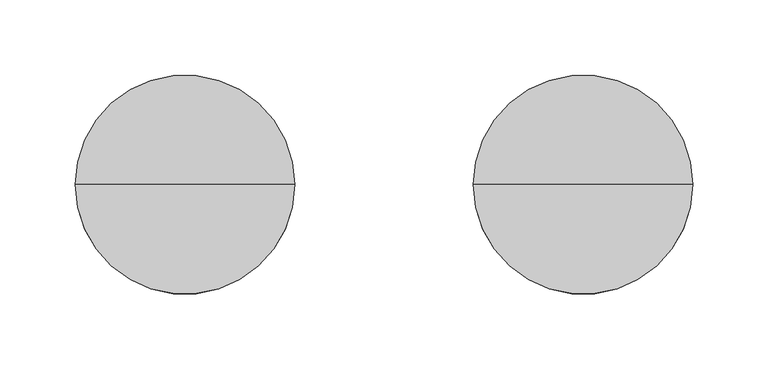
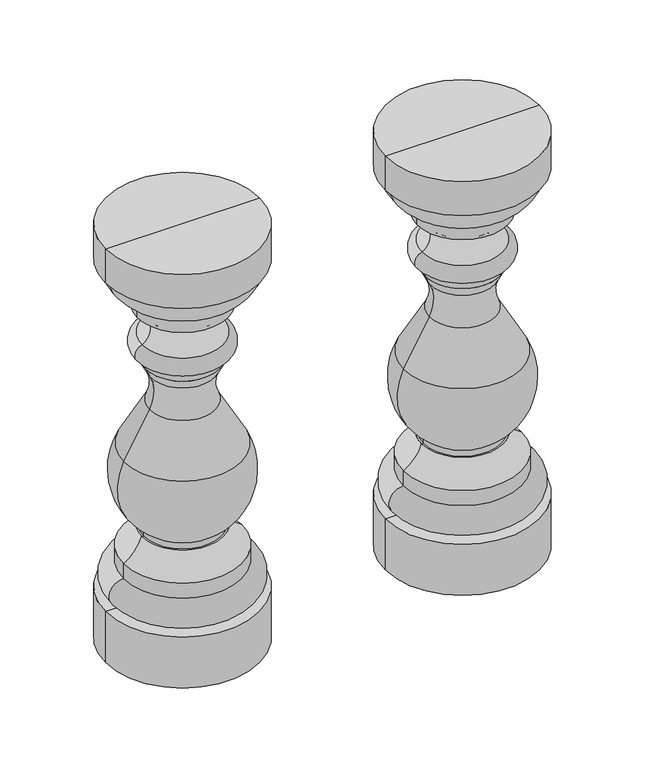
"""IFC4 building model written with IfcOpenShell, lengths in millimetres: railing geometry."""

import ifcopenshell
import ifcopenshell.guid

model = None  # the IFC model being written
_history = None  # IfcOwnerHistory: only IFC2X3 demands one
_inside = {}  # id of a spatial element -> (the spatial element, [elements in it])
_under = {}  # id of a project, library or spatial element -> (it, [spatial elements below it])
_declared = {}  # id of a project -> (the project, [libraries it declares])
_typed = {}  # id of a type object -> (the type object, [elements of that type])
_made_of = {}  # id of a material, layer set ... -> (it, [elements and type objects made of it])


def new_model(schema):
    """Start an empty IFC model of exactly this schema.

    Asked for "IFC4X3", IfcOpenShell would pick the latest addendum, in which some entities
    have other attributes; the version numbers below select the first issue.
    IFC2X3 requires an IfcOwnerHistory on every rooted entity: one is made here for all.
    """
    global model, _history
    if schema == "IFC4X3":
        model = ifcopenshell.file(schema_version=(4, 3, 0, 0))
    else:
        model = ifcopenshell.file(schema=schema)
    _inside.clear()
    _under.clear()
    _declared.clear()
    _typed.clear()
    _made_of.clear()
    _history = None
    if model.schema == "IFC2X3":
        org = make("IfcOrganization", Name="unknown")
        user = make(
            "IfcPersonAndOrganization",
            ThePerson=make("IfcPerson", FamilyName="unknown"),
            TheOrganization=org,
        )
        app = make(
            "IfcApplication",
            ApplicationDeveloper=org,
            Version="unknown",
            ApplicationFullName="unknown",
            ApplicationIdentifier="unknown",
        )
        _history = make(
            "IfcOwnerHistory",
            OwningUser=user,
            OwningApplication=app,
            ChangeAction="ADDED",
            CreationDate=0,
        )
    return model


def make(cls, **values):
    """One entity of the class cls with the attributes given. An attribute that is None is left unset."""
    return model.create_entity(
        cls, **{name: value for name, value in values.items() if value is not None}
    )


def rooted(cls, **values):
    """An entity with a GlobalId (a new one), such as an element, a storey or a relation."""
    return make(cls, GlobalId=ifcopenshell.guid.new(), OwnerHistory=_history, **values)


def si_unit(unit_type, name, prefix=None):
    """IfcSIUnit, for example si_unit("LENGTHUNIT", "METRE", prefix="MILLI")."""
    return make("IfcSIUnit", UnitType=unit_type, Prefix=prefix, Name=name)


def assignment(units):
    """IfcUnitAssignment: the units of a project."""
    return None if units is None else make("IfcUnitAssignment", Units=units)


def point(xyz):
    """IfcCartesianPoint."""
    return None if xyz is None else make("IfcCartesianPoint", Coordinates=xyz)


def direction(xyz):
    """IfcDirection."""
    return None if xyz is None else make("IfcDirection", DirectionRatios=xyz)


def frame(location, z_axis=None, x_axis=None):
    """IfcAxis2Placement3D, a coordinate frame: its origin and axes. An axis left out is left unset."""
    return make(
        "IfcAxis2Placement3D",
        Location=point(location),
        Axis=direction(z_axis),
        RefDirection=direction(x_axis),
    )


def origin():
    """The frame at (0, 0, 0) with its axes left unset."""
    return frame((0.0, 0.0, 0.0))


def place(relative_to, where):
    """IfcLocalPlacement: puts the frame where relative to a parent placement (None: the world)."""
    return make(
        "IfcLocalPlacement", PlacementRelTo=relative_to, RelativePlacement=where
    )


def context(
    kind, dimensions, precision=None, world=None, true_north=None, identifier=None
):
    """IfcGeometricRepresentationContext, for example the 3D "Model" context."""
    return make(
        "IfcGeometricRepresentationContext",
        ContextIdentifier=identifier,
        ContextType=kind,
        CoordinateSpaceDimension=dimensions,
        Precision=precision,
        WorldCoordinateSystem=world,
        TrueNorth=true_north,
    )


def project(units=None, contexts=None):
    """IfcProject with its units and contexts."""
    return rooted(
        "IfcProject",
        Name="project",
        RepresentationContexts=contexts,
        UnitsInContext=assignment(units),
    )


def spatial(cls, under=None, at=None, **own):
    """A site, building, storey or space (cls), placed at a placement, below another one or the project."""
    s = rooted(cls, ObjectPlacement=at, **own)
    if under is not None:
        _under.setdefault(under.id(), (under, []))[1].append(s)
    return s


def circle_curve(where, radius):
    """IfcCircle in the frame where."""
    return make("IfcCircle", Position=where, Radius=radius)


def ellipse_curve(where, semi_axis1, semi_axis2):
    """IfcEllipse in the frame where."""
    return make(
        "IfcEllipse", Position=where, SemiAxis1=semi_axis1, SemiAxis2=semi_axis2
    )


def trimmed(basis, trim1, trim2, sense, master):
    """IfcTrimmedCurve: the piece of a basis curve between two trims."""
    return make(
        "IfcTrimmedCurve",
        BasisCurve=basis,
        Trim1=trim1,
        Trim2=trim2,
        SenseAgreement=sense,
        MasterRepresentation=master,
    )


def shape(context_of_items, identifier, shape_type, items):
    """IfcShapeRepresentation: the items that make up one representation, for example the "Body"."""
    return make(
        "IfcShapeRepresentation",
        ContextOfItems=context_of_items,
        RepresentationIdentifier=identifier,
        RepresentationType=shape_type,
        Items=items,
    )


def source(mapping_origin, context_of_items, identifier, shape_type, items):
    """IfcRepresentationMap: a shape defined once, which mapped items show again and again."""
    return make(
        "IfcRepresentationMap",
        MappingOrigin=mapping_origin,
        MappedRepresentation=shape(context_of_items, identifier, shape_type, items),
    )


def transform(
    local_origin,
    x_axis=None,
    y_axis=None,
    z_axis=None,
    scale=None,
    scale2=None,
    scale3=None,
    uniform=True,
):
    """IfcCartesianTransformationOperator3D, or its non-uniform kind. x_axis, y_axis, z_axis: its Axis1, 2, 3."""
    if uniform:
        return make(
            "IfcCartesianTransformationOperator3D",
            Axis1=direction(x_axis),
            Axis2=direction(y_axis),
            LocalOrigin=point(local_origin),
            Scale=scale,
            Axis3=direction(z_axis),
        )
    return make(
        "IfcCartesianTransformationOperator3DnonUniform",
        Axis1=direction(x_axis),
        Axis2=direction(y_axis),
        LocalOrigin=point(local_origin),
        Scale=scale,
        Axis3=direction(z_axis),
        Scale2=scale2,
        Scale3=scale3,
    )


def mapped(mapping_source, mapping_target):
    """IfcMappedItem: shows the shape of a source again, moved by a transform."""
    return make(
        "IfcMappedItem", MappingSource=mapping_source, MappingTarget=mapping_target
    )


def made_of(thing, what):
    """Note that an element or type object is made of a material, layer set ...; save() writes the relation."""
    if what is not None:
        _made_of.setdefault(what.id(), (what, []))[1].append(thing)
    return thing


def element(
    cls,
    number,
    at=None,
    inside=None,
    cuts=None,
    type_object=None,
    material=None,
    context=None,
    identifier="Body",
    shape_type=None,
    held_by="IfcProductDefinitionShape",
    body=None,
    shapes=None,
    **own,
):
    """One element of the class cls, such as IfcWall. Its Tag is "e" and its number.

    at: its placement. inside: the storey or other place that contains it. cuts: it is an
    opening in that element (IfcRelVoidsElement). A single representation is given by context,
    identifier, shape_type and body (its items); several are given by shapes. held_by: the class
    of the entity that holds the representations. save() writes the other relations.
    """
    e = rooted(cls, Tag="e%d" % number, ObjectPlacement=at, **own)
    if body is not None:
        shapes = [shape(context, identifier, shape_type, body)]
    if shapes is not None:
        e.Representation = make(held_by, Representations=shapes)
    if inside is not None:
        _inside.setdefault(inside.id(), (inside, []))[1].append(e)
    if cuts is not None:
        rooted(
            "IfcRelVoidsElement", RelatingBuildingElement=cuts, RelatedOpeningElement=e
        )
    if type_object is not None:
        _typed.setdefault(type_object.id(), (type_object, []))[1].append(e)
    return made_of(e, material)


def aggregate(whole, parts):
    """IfcRelAggregates: a whole, such as a stair, and the parts it consists of."""
    return rooted("IfcRelAggregates", RelatingObject=whole, RelatedObjects=parts)


def save(model, path):
    """Write the relations noted so far, then the file.

    IfcRelAggregates (storeys below a building ...), IfcRelContainedInSpatialStructure (elements
    in a storey), IfcRelDefinesByType, IfcRelAssociatesMaterial and IfcRelDeclares: one each for
    every whole, place, type object, material and project.
    """
    for whole, parts in _under.values():
        aggregate(whole, parts)
    for where, things in _inside.values():
        rooted(
            "IfcRelContainedInSpatialStructure",
            RelatedElements=things,
            RelatingStructure=where,
        )
    for kind, things in _typed.values():
        rooted("IfcRelDefinesByType", RelatedObjects=things, RelatingType=kind)
    for what, things in _made_of.values():
        rooted("IfcRelAssociatesMaterial", RelatedObjects=things, RelatingMaterial=what)
    for by, libraries in _declared.values():
        rooted("IfcRelDeclares", RelatingContext=by, RelatedDefinitions=libraries)
    model.write(path)


def plane_surface(at):
    """IfcPlane: the flat surface through the origin of the frame at, square to its z axis."""
    return make("IfcPlane", Position=at)


def cylinder_surface(at, radius):
    """IfcCylindricalSurface: all points at the distance radius from the z axis of the frame at."""
    return make("IfcCylindricalSurface", Position=at, Radius=radius)


def revolved_surface(curve, axis_point, axis_direction):
    """IfcSurfaceOfRevolution: the curve turned about the line through axis_point along axis_direction."""
    return make(
        "IfcSurfaceOfRevolution",
        SweptCurve=make("IfcArbitraryOpenProfileDef", ProfileType="CURVE", Curve=curve),
        AxisPosition=make("IfcAxis1Placement", Location=point(axis_point), Axis=direction(axis_direction)),
    )


def advanced_brep(points, edges, surfaces, faces):
    """IfcAdvancedBrep: a solid bounded by faces that lie on surfaces and meet in shared edges.

    An edge is (start, end): straight between two places in points (the first is 0);
    or (start, end, curve); or (start, end, curve, False) where it runs against its curve.
    A face is (place in surfaces, loops), or (place, loops, False) where it looks against
    its surface's normal. A loop lists edges by number (the first is 1), with a minus sign
    where the edge is run from its end to its start. The first loop is the outer one.
    """
    corners = [point(p) for p in points]
    vertices = [make("IfcVertexPoint", VertexGeometry=c) for c in corners]
    made = []
    for start, end, *more in edges:
        made.append(
            make(
                "IfcEdgeCurve",
                EdgeStart=vertices[start],
                EdgeEnd=vertices[end],
                EdgeGeometry=more[0] if more else make("IfcPolyline", Points=[corners[start], corners[end]]),
                SameSense=more[1] if len(more) > 1 else True,
            )
        )
    hull = []
    for where, loops, *sense in faces:
        bounds = []
        for j, loop in enumerate(loops):
            ring = [make("IfcOrientedEdge", EdgeElement=made[abs(k) - 1], Orientation=k > 0) for k in loop]
            bounds.append(
                make(
                    "IfcFaceOuterBound" if j == 0 else "IfcFaceBound",
                    Bound=make("IfcEdgeLoop", EdgeList=ring),
                    Orientation=True,
                )
            )
        hull.append(make("IfcAdvancedFace", Bounds=bounds, FaceSurface=surfaces[where], SameSense=sense[0] if sense else True))
    return make("IfcAdvancedBrep", Outer=make("IfcClosedShell", CfsFaces=hull))


def railing_ee62908a(model_context):
    return source(origin(), model_context, "Body", "AdvancedBrep", [
        advanced_brep(
        [(1762.8785425, 3424.831309, 231.0), (1616.8785425, 3424.831309, 231.0), (1616.8785425, 3424.831309, 180.0), (1762.8785425, 3424.831309, 180.0), (1745.8785431, 3424.831309, 231.0), (1633.8785419, 3424.831309, 231.0), (1745.8785431, 3424.831309, 258.0), (1633.8785419, 3424.831309, 258.0), (1745.8785431, 3424.831309, 273.0), (1633.8785419, 3424.831309, 273.0), (1728.5347925, 3424.831309, 294.0), (1651.2222925, 3424.831309, 294.0), (1726.8785425, 3424.831309, 294.0), (1652.8785425, 3424.831309, 294.0), (1726.8785425, 3424.831309, 300.0), (1652.8785425, 3424.831309, 300.0), (1745.5049615, 3424.831309, 374.706486), (1634.2521236, 3424.831309, 374.706486), (1721.0972925, 3424.831309, 418.453125), (1658.6597925, 3424.831309, 418.453125), (1719.98863, 3424.831309, 450.2010664), (1659.7684551, 3424.831309, 450.2010664), (1725.0269971, 3424.831309, 460.53125), (1654.7300879, 3424.831309, 460.53125), (1725.0269971, 3424.831309, 469.0), (1654.7300879, 3424.831309, 469.0), (1729.0074488, 3424.831309, 469.0), (1650.7496363, 3424.831309, 469.0), (1728.128077, 3424.831309, 485.7794118), (1651.629008, 3424.831309, 485.7794118), (1732.8785425, 3424.831309, 514.97739), (1646.8785425, 3424.831309, 514.97739), (1732.8785425, 3424.831309, 528.3952726), (1646.8785425, 3424.831309, 528.3952726), (1759.2567406, 3424.831309, 560.0), (1620.5003444, 3424.831309, 560.0), (1762.8785425, 3424.831309, 560.0), (1616.8785425, 3424.831309, 560.0), (1762.8785425, 3424.831309, 594.0), (1616.8785425, 3424.831309, 594.0), (1689.8785425, 3424.831309, 594.0), (1689.8785425, 3424.831309, 180.0)],
        [
            (0, 1, circle_curve(frame((1689.8785425, 3424.831309, 231.0), z_axis=(0.0, 0.0, -1.0), x_axis=(-1.0, 0.0, 0.0)), 73.0)),
            (1, 2),
            (2, 3, circle_curve(frame((1689.8785425, 3424.831309, 180.0), z_axis=(0.0, 0.0, 1.0), x_axis=(-1.0, 0.0, 0.0)), 73.0)),
            (3, 0),
            (1, 0, circle_curve(frame((1689.8785425, 3424.831309, 231.0), z_axis=(0.0, 0.0, -1.0), x_axis=(-1.0, 0.0, 0.0)), 73.0)),
            (3, 2, circle_curve(frame((1689.8785425, 3424.831309, 180.0), z_axis=(0.0, 0.0, 1.0), x_axis=(-1.0, 0.0, 0.0)), 73.0)),
            (4, 5, circle_curve(frame((1689.8785425, 3424.831309, 231.0), z_axis=(0.0, 0.0, -1.0), x_axis=(-1.0, 0.0, 0.0)), 56.0000006)),
            (5, 1),
            (0, 4),
            (5, 4, circle_curve(frame((1689.8785425, 3424.831309, 231.0), z_axis=(0.0, 0.0, -1.0), x_axis=(-1.0, 0.0, 0.0)), 56.0000006)),
            (6, 7, circle_curve(frame((1689.8785425, 3424.831309, 258.0), z_axis=(0.0, 0.0, -1.0), x_axis=(-1.0, 0.0, 0.0)), 56.0000006)),
            (7, 5, circle_curve(frame((1633.8785419, 3424.831309, 244.5), z_axis=(0.0, -1.0, 0.0), x_axis=(-1.0, 0.0, 0.0)), 13.5)),
            (4, 6, circle_curve(frame((1745.8785431, 3424.831309, 244.5), z_axis=(0.0, -1.0, 0.0), x_axis=(1.0, 0.0, 0.0)), 13.5)),
            (7, 6, circle_curve(frame((1689.8785425, 3424.831309, 258.0), z_axis=(0.0, 0.0, -1.0), x_axis=(-1.0, 0.0, 0.0)), 56.0000006)),
            (8, 9, circle_curve(frame((1689.8785425, 3424.831309, 273.0), z_axis=(0.0, 0.0, -1.0), x_axis=(-1.0, 0.0, 0.0)), 56.0000006)),
            (9, 7),
            (6, 8),
            (9, 8, circle_curve(frame((1689.8785425, 3424.831309, 273.0), z_axis=(0.0, 0.0, -1.0), x_axis=(-1.0, 0.0, 0.0)), 56.0000006)),
            (10, 11, circle_curve(frame((1689.8785425, 3424.831309, 294.0), z_axis=(0.0, 0.0, -1.0), x_axis=(-1.0, 0.0, 0.0)), 38.65625)),
            (11, 9, circle_curve(frame((1615.930206, 3424.831309, 305.485443), z_axis=(0.0, 1.0, 0.0), x_axis=(-1.0, 0.0, 0.0)), 37.11397)),
            (8, 10, circle_curve(frame((1763.826879, 3424.831309, 305.485443), z_axis=(0.0, 1.0, 0.0), x_axis=(1.0, 0.0, 0.0)), 37.11397)),
            (11, 10, circle_curve(frame((1689.8785425, 3424.831309, 294.0), z_axis=(0.0, 0.0, -1.0), x_axis=(-1.0, 0.0, 0.0)), 38.65625)),
            (12, 13, circle_curve(frame((1689.8785425, 3424.831309, 294.0), z_axis=(0.0, 0.0, -1.0), x_axis=(-1.0, 0.0, 0.0)), 37.0)),
            (13, 11),
            (10, 12),
            (13, 12, circle_curve(frame((1689.8785425, 3424.831309, 294.0), z_axis=(0.0, 0.0, -1.0), x_axis=(-1.0, 0.0, 0.0)), 37.0)),
            (14, 15, circle_curve(frame((1689.8785425, 3424.831309, 300.0), z_axis=(0.0, 0.0, -1.0), x_axis=(-1.0, 0.0, 0.0)), 37.0)),
            (15, 13),
            (12, 14),
            (15, 14, circle_curve(frame((1689.8785425, 3424.831309, 300.0), z_axis=(0.0, 0.0, -1.0), x_axis=(-1.0, 0.0, 0.0)), 37.0)),
            (16, 17, circle_curve(frame((1689.8785425, 3424.831309, 374.706486), z_axis=(0.0, 0.0, -1.0), x_axis=(-1.0, 0.0, 0.0)), 55.6264189)),
            (17, 15, circle_curve(frame((1688.1480187, 3424.831309, 348.468955), z_axis=(0.0, -1.0, 0.0), x_axis=(-1.0, 0.0, 0.0)), 59.9431026)),
            (14, 16, circle_curve(frame((1691.6090663, 3424.831309, 348.468955), z_axis=(0.0, -1.0, 0.0), x_axis=(1.0, 0.0, 0.0)), 59.9431026)),
            (17, 16, circle_curve(frame((1689.8785425, 3424.831309, 374.706486), z_axis=(0.0, 0.0, -1.0), x_axis=(-1.0, 0.0, 0.0)), 55.6264189)),
            (18, 19, circle_curve(frame((1689.8785425, 3424.831309, 418.453125), z_axis=(0.0, 0.0, -1.0), x_axis=(-1.0, 0.0, 0.0)), 31.21875)),
            (19, 17, circle_curve(frame((2037.5812974, 3424.831309, 178.3582915), z_axis=(0.0, -1.0, 0.0), x_axis=(-1.0, 0.0, 0.0)), 448.5833656)),
            (16, 18, circle_curve(frame((1342.1757876, 3424.831309, 178.3582915), z_axis=(0.0, -1.0, 0.0), x_axis=(1.0, 0.0, 0.0)), 448.5833656)),
            (19, 18, circle_curve(frame((1689.8785425, 3424.831309, 418.453125), z_axis=(0.0, 0.0, -1.0), x_axis=(-1.0, 0.0, 0.0)), 31.21875)),
            (20, 21, circle_curve(frame((1689.8785425, 3424.831309, 450.2010664), z_axis=(0.0, 0.0, -1.0), x_axis=(-1.0, 0.0, 0.0)), 30.1100875)),
            (21, 19, circle_curve(frame((1625.3434516, 3424.831309, 435.5098857), z_axis=(0.0, 1.0, 0.0), x_axis=(-1.0, 0.0, 0.0)), 37.4287544)),
            (18, 20, circle_curve(frame((1754.4136335, 3424.831309, 435.5098857), z_axis=(0.0, 1.0, 0.0), x_axis=(1.0, 0.0, 0.0)), 37.4287544)),
            (21, 20, circle_curve(frame((1689.8785425, 3424.831309, 450.2010664), z_axis=(0.0, 0.0, -1.0), x_axis=(-1.0, 0.0, 0.0)), 30.1100875)),
            (22, 23, circle_curve(frame((1689.8785425, 3424.831309, 460.53125), z_axis=(0.0, 0.0, -1.0), x_axis=(-1.0, 0.0, 0.0)), 35.1484546)),
            (23, 21, circle_curve(frame((1554.9069564, 3424.831309, 405.450476), z_axis=(0.0, 1.0, 0.0), x_axis=(-1.0, 0.0, 0.0)), 114.0111803)),
            (20, 22, circle_curve(frame((1824.8501286, 3424.831309, 405.450476), z_axis=(0.0, 1.0, 0.0), x_axis=(1.0, 0.0, 0.0)), 114.0111803)),
            (23, 22, circle_curve(frame((1689.8785425, 3424.831309, 460.53125), z_axis=(0.0, 0.0, -1.0), x_axis=(-1.0, 0.0, 0.0)), 35.1484546)),
            (24, 25, circle_curve(frame((1689.8785425, 3424.831309, 469.0), z_axis=(0.0, 0.0, -1.0), x_axis=(-1.0, 0.0, 0.0)), 35.1484546)),
            (25, 23),
            (22, 24),
            (25, 24, circle_curve(frame((1689.8785425, 3424.831309, 469.0), z_axis=(0.0, 0.0, -1.0), x_axis=(-1.0, 0.0, 0.0)), 35.1484546)),
            (26, 27, circle_curve(frame((1689.8785425, 3424.831309, 469.0), z_axis=(0.0, 0.0, -1.0), x_axis=(-1.0, 0.0, 0.0)), 39.1289062)),
            (27, 25),
            (24, 26),
            (27, 26, circle_curve(frame((1689.8785425, 3424.831309, 469.0), z_axis=(0.0, 0.0, -1.0), x_axis=(-1.0, 0.0, 0.0)), 39.1289062)),
            (28, 29, circle_curve(frame((1689.8785425, 3424.831309, 485.7794118), z_axis=(0.0, 0.0, -1.0), x_axis=(-1.0, 0.0, 0.0)), 38.2495345)),
            (29, 27, circle_curve(frame((1653.4362434, 3424.831309, 477.2719498), z_axis=(0.0, -1.0, 0.0), x_axis=(-1.0, 0.0, 0.0)), 8.6972991)),
            (26, 28, circle_curve(frame((1726.3208416, 3424.831309, 477.2719498), z_axis=(0.0, -1.0, 0.0), x_axis=(1.0, 0.0, 0.0)), 8.6972991)),
            (29, 28, circle_curve(frame((1689.8785425, 3424.831309, 485.7794118), z_axis=(0.0, 0.0, -1.0), x_axis=(-1.0, 0.0, 0.0)), 38.2495345)),
            (30, 31, circle_curve(frame((1689.8785425, 3424.831309, 514.97739), z_axis=(0.0, 0.0, -1.0), x_axis=(-1.0, 0.0, 0.0)), 43.0)),
            (31, 29, circle_curve(frame((1644.0593969, 3424.831309, 499.5332837), z_axis=(0.0, 1.0, 0.0), x_axis=(-1.0, 0.0, 0.0)), 15.6992994)),
            (28, 30, circle_curve(frame((1735.6976881, 3424.831309, 499.5332837), z_axis=(0.0, 1.0, 0.0), x_axis=(1.0, 0.0, 0.0)), 15.6992994)),
            (31, 30, circle_curve(frame((1689.8785425, 3424.831309, 514.97739), z_axis=(0.0, 0.0, -1.0), x_axis=(-1.0, 0.0, 0.0)), 43.0)),
            (32, 33, circle_curve(frame((1689.8785425, 3424.831309, 528.3952726), z_axis=(0.0, 0.0, -1.0), x_axis=(-1.0, 0.0, 0.0)), 43.0)),
            (33, 31),
            (30, 32),
            (33, 32, circle_curve(frame((1689.8785425, 3424.831309, 528.3952726), z_axis=(0.0, 0.0, -1.0), x_axis=(-1.0, 0.0, 0.0)), 43.0)),
            (34, 35, circle_curve(frame((1689.8785425, 3424.831309, 560.0), z_axis=(0.0, 0.0, -1.0), x_axis=(-1.0, 0.0, 0.0)), 69.3781981)),
            (35, 33, circle_curve(frame((1657.437687, 3424.831309, 564.0185912), z_axis=(0.0, -1.0, 0.0), x_axis=(-1.0, 0.0, 0.0)), 37.1553005)),
            (32, 34, circle_curve(frame((1722.319398, 3424.831309, 564.0185912), z_axis=(0.0, -1.0, 0.0), x_axis=(1.0, 0.0, 0.0)), 37.1553005)),
            (35, 34, circle_curve(frame((1689.8785425, 3424.831309, 560.0), z_axis=(0.0, 0.0, -1.0), x_axis=(-1.0, 0.0, 0.0)), 69.3781981)),
            (36, 37, circle_curve(frame((1689.8785425, 3424.831309, 560.0), z_axis=(0.0, 0.0, -1.0), x_axis=(-1.0, 0.0, 0.0)), 73.0)),
            (37, 35),
            (34, 36),
            (37, 36, circle_curve(frame((1689.8785425, 3424.831309, 560.0), z_axis=(0.0, 0.0, -1.0), x_axis=(-1.0, 0.0, 0.0)), 73.0)),
            (38, 39, circle_curve(frame((1689.8785425, 3424.831309, 594.0), z_axis=(0.0, 0.0, -1.0), x_axis=(-1.0, 0.0, 0.0)), 73.0)),
            (39, 37),
            (36, 38),
            (39, 38, circle_curve(frame((1689.8785425, 3424.831309, 594.0), z_axis=(0.0, 0.0, -1.0), x_axis=(-1.0, 0.0, 0.0)), 73.0)),
            (40, 39),
            (38, 40),
            (2, 41),
            (41, 3),
        ],
        [
            cylinder_surface(frame((1689.8785425, 3424.831309, 634.0), z_axis=(0.0, 0.0, 1.0), x_axis=(-1.0, 0.0, 0.0)), 73.0),
            plane_surface(frame((1689.8785425, 3424.831309, 231.0), z_axis=(0.0, 0.0, 1.0), x_axis=(-1.0, 0.0, 0.0))),
            revolved_surface(trimmed(ellipse_curve(frame((1633.8785419, 3424.831309, 244.5), z_axis=(0.0, 1.0, 0.0), x_axis=(-1.0, 0.0, 0.0)), 13.5, 13.5), [point((1633.8785419, 3424.831309, 231.0))], [point((1633.8785419, 3424.831309, 258.0))], True, "CARTESIAN"), (1689.8785425, 3424.831309, 634.0), (0.0, 0.0, 1.0)),
            cylinder_surface(frame((1689.8785425, 3424.831309, 634.0), z_axis=(0.0, 0.0, 1.0), x_axis=(-1.0, 0.0, 0.0)), 56.0000006),
            revolved_surface(trimmed(ellipse_curve(frame((1615.930206, 3424.831309, 305.485443), z_axis=(0.0, -1.0, 0.0), x_axis=(-1.0, 0.0, 0.0)), 37.11397, 37.11397), [point((1633.8785419, 3424.831309, 273.0))], [point((1651.2222925, 3424.831309, 294.0))], True, "CARTESIAN"), (1689.8785425, 3424.831309, 634.0), (0.0, 0.0, 1.0)),
            plane_surface(frame((1689.8785425, 3424.831309, 294.0), z_axis=(0.0, 0.0, 1.0), x_axis=(-1.0, 0.0, 0.0))),
            cylinder_surface(frame((1689.8785425, 3424.831309, 634.0), z_axis=(0.0, 0.0, 1.0), x_axis=(-1.0, 0.0, 0.0)), 37.0),
            revolved_surface(trimmed(ellipse_curve(frame((1688.1480187, 3424.831309, 348.468955), z_axis=(0.0, 1.0, 0.0), x_axis=(-1.0, 0.0, 0.0)), 59.9431026, 59.9431026), [point((1652.8785425, 3424.831309, 300.0))], [point((1634.2521236, 3424.831309, 374.706486))], True, "CARTESIAN"), (1689.8785425, 3424.831309, 634.0), (0.0, 0.0, 1.0)),
            revolved_surface(trimmed(ellipse_curve(frame((2037.5812974, 3424.831309, 178.3582915), z_axis=(0.0, 1.0, 0.0), x_axis=(-1.0, 0.0, 0.0)), 448.5833656, 448.5833656), [point((1634.2521236, 3424.831309, 374.706486))], [point((1658.6597925, 3424.831309, 418.453125))], True, "CARTESIAN"), (1689.8785425, 3424.831309, 634.0), (0.0, 0.0, 1.0)),
            revolved_surface(trimmed(ellipse_curve(frame((1625.3434516, 3424.831309, 435.5098857), z_axis=(0.0, -1.0, 0.0), x_axis=(-1.0, 0.0, 0.0)), 37.4287544, 37.4287544), [point((1658.6597925, 3424.831309, 418.453125))], [point((1659.7684551, 3424.831309, 450.2010664))], True, "CARTESIAN"), (1689.8785425, 3424.831309, 634.0), (0.0, 0.0, 1.0)),
            revolved_surface(trimmed(ellipse_curve(frame((1554.9069564, 3424.831309, 405.450476), z_axis=(0.0, -1.0, 0.0), x_axis=(-1.0, 0.0, 0.0)), 114.0111803, 114.0111803), [point((1659.7684551, 3424.831309, 450.2010664))], [point((1654.7300879, 3424.831309, 460.53125))], True, "CARTESIAN"), (1689.8785425, 3424.831309, 634.0), (0.0, 0.0, 1.0)),
            cylinder_surface(frame((1689.8785425, 3424.831309, 634.0), z_axis=(0.0, 0.0, 1.0), x_axis=(-1.0, 0.0, 0.0)), 35.1484546),
            plane_surface(frame((1689.8785425, 3424.831309, 469.0), z_axis=(0.0, 0.0, -1.0), x_axis=(-1.0, 0.0, 0.0))),
            revolved_surface(trimmed(ellipse_curve(frame((1653.4362434, 3424.831309, 477.2719498), z_axis=(0.0, 1.0, 0.0), x_axis=(-1.0, 0.0, 0.0)), 8.6972991, 8.6972991), [point((1650.7496363, 3424.831309, 469.0))], [point((1651.629008, 3424.831309, 485.7794118))], True, "CARTESIAN"), (1689.8785425, 3424.831309, 634.0), (0.0, 0.0, 1.0)),
            revolved_surface(trimmed(ellipse_curve(frame((1644.0593969, 3424.831309, 499.5332837), z_axis=(0.0, -1.0, 0.0), x_axis=(-1.0, 0.0, 0.0)), 15.6992994, 15.6992994), [point((1651.629008, 3424.831309, 485.7794118))], [point((1646.8785425, 3424.831309, 514.97739))], True, "CARTESIAN"), (1689.8785425, 3424.831309, 634.0), (0.0, 0.0, 1.0)),
            cylinder_surface(frame((1689.8785425, 3424.831309, 634.0), z_axis=(0.0, 0.0, 1.0), x_axis=(-1.0, 0.0, 0.0)), 43.0),
            revolved_surface(trimmed(ellipse_curve(frame((1657.437687, 3424.831309, 564.0185912), z_axis=(0.0, 1.0, 0.0), x_axis=(-1.0, 0.0, 0.0)), 37.1553005, 37.1553005), [point((1646.8785425, 3424.831309, 528.3952726))], [point((1620.5003444, 3424.831309, 560.0))], True, "CARTESIAN"), (1689.8785425, 3424.831309, 634.0), (0.0, 0.0, 1.0)),
            plane_surface(frame((1689.8785425, 3424.831309, 560.0), z_axis=(0.0, 0.0, -1.0), x_axis=(-1.0, 0.0, 0.0))),
            plane_surface(frame((1689.8785425, 3424.831309, 594.0), z_axis=(0.0, 0.0, 1.0), x_axis=(-1.0, 0.0, 0.0))),
            plane_surface(frame((1689.8785425, 3424.831309, 180.0), z_axis=(0.0, 0.0, -1.0), x_axis=(-1.0, 0.0, 0.0))),
        ],
        [
            (0, [[1, 2, 3, 4]]),
            (0, [[5, -4, 6, -2]]),
            (1, [[7, 8, -1, 9]]),
            (1, [[10, -9, -5, -8]]),
            (2, [[11, 12, -7, 13]]),
            (2, [[14, -13, -10, -12]]),
            (3, [[15, 16, -11, 17]]),
            (3, [[18, -17, -14, -16]]),
            (4, [[19, 20, -15, 21]]),
            (4, [[22, -21, -18, -20]]),
            (5, [[23, 24, -19, 25]]),
            (5, [[26, -25, -22, -24]]),
            (6, [[27, 28, -23, 29]]),
            (6, [[30, -29, -26, -28]]),
            (7, [[31, 32, -27, 33]]),
            (7, [[34, -33, -30, -32]]),
            (8, [[35, 36, -31, 37]]),
            (8, [[38, -37, -34, -36]]),
            (9, [[39, 40, -35, 41]]),
            (9, [[42, -41, -38, -40]]),
            (10, [[43, 44, -39, 45]]),
            (10, [[46, -45, -42, -44]]),
            (11, [[47, 48, -43, 49]]),
            (11, [[50, -49, -46, -48]]),
            (12, [[51, 52, -47, 53]]),
            (12, [[54, -53, -50, -52]]),
            (13, [[55, 56, -51, 57]]),
            (13, [[58, -57, -54, -56]]),
            (14, [[59, 60, -55, 61]]),
            (14, [[62, -61, -58, -60]]),
            (15, [[63, 64, -59, 65]]),
            (15, [[66, -65, -62, -64]]),
            (16, [[67, 68, -63, 69]]),
            (16, [[70, -69, -66, -68]]),
            (17, [[71, 72, -67, 73]]),
            (17, [[74, -73, -70, -72]]),
            (0, [[75, 76, -71, 77]]),
            (0, [[78, -77, -74, -76]]),
            (18, [[79, -75, 80]]),
            (18, [[-80, -78, -79]]),
            (19, [[-3, 81, 82]]),
            (19, [[-6, -82, -81]]),
        ],
    ),
        advanced_brep(
        [(1497.8785425, 3424.831309, 231.0), (1351.8785425, 3424.831309, 231.0), (1351.8785425, 3424.831309, 180.0), (1497.8785425, 3424.831309, 180.0), (1480.8785431, 3424.831309, 231.0), (1368.8785419, 3424.831309, 231.0), (1480.8785431, 3424.831309, 258.0), (1368.8785419, 3424.831309, 258.0), (1480.8785431, 3424.831309, 273.0), (1368.8785419, 3424.831309, 273.0), (1463.5347925, 3424.831309, 294.0), (1386.2222925, 3424.831309, 294.0), (1461.8785425, 3424.831309, 294.0), (1387.8785425, 3424.831309, 294.0), (1461.8785425, 3424.831309, 300.0), (1387.8785425, 3424.831309, 300.0), (1480.5049615, 3424.831309, 374.706486), (1369.2521236, 3424.831309, 374.706486), (1456.0972925, 3424.831309, 418.453125), (1393.6597925, 3424.831309, 418.453125), (1454.98863, 3424.831309, 450.2010664), (1394.7684551, 3424.831309, 450.2010664), (1460.0269971, 3424.831309, 460.53125), (1389.7300879, 3424.831309, 460.53125), (1460.0269971, 3424.831309, 469.0), (1389.7300879, 3424.831309, 469.0), (1464.0074488, 3424.831309, 469.0), (1385.7496363, 3424.831309, 469.0), (1463.128077, 3424.831309, 485.7794118), (1386.629008, 3424.831309, 485.7794118), (1467.8785425, 3424.831309, 514.97739), (1381.8785425, 3424.831309, 514.97739), (1467.8785425, 3424.831309, 528.3952726), (1381.8785425, 3424.831309, 528.3952726), (1494.2567406, 3424.831309, 560.0), (1355.5003444, 3424.831309, 560.0), (1497.8785425, 3424.831309, 560.0), (1351.8785425, 3424.831309, 560.0), (1497.8785425, 3424.831309, 594.0), (1351.8785425, 3424.831309, 594.0), (1424.8785425, 3424.831309, 594.0), (1424.8785425, 3424.831309, 180.0)],
        [
            (0, 1, circle_curve(frame((1424.8785425, 3424.831309, 231.0), z_axis=(0.0, 0.0, -1.0), x_axis=(-1.0, 0.0, 0.0)), 73.0)),
            (1, 2),
            (2, 3, circle_curve(frame((1424.8785425, 3424.831309, 180.0), z_axis=(0.0, 0.0, 1.0), x_axis=(-1.0, 0.0, 0.0)), 73.0)),
            (3, 0),
            (1, 0, circle_curve(frame((1424.8785425, 3424.831309, 231.0), z_axis=(0.0, 0.0, -1.0), x_axis=(-1.0, 0.0, 0.0)), 73.0)),
            (3, 2, circle_curve(frame((1424.8785425, 3424.831309, 180.0), z_axis=(0.0, 0.0, 1.0), x_axis=(-1.0, 0.0, 0.0)), 73.0)),
            (4, 5, circle_curve(frame((1424.8785425, 3424.831309, 231.0), z_axis=(0.0, 0.0, -1.0), x_axis=(-1.0, 0.0, 0.0)), 56.0000006)),
            (5, 1),
            (0, 4),
            (5, 4, circle_curve(frame((1424.8785425, 3424.831309, 231.0), z_axis=(0.0, 0.0, -1.0), x_axis=(-1.0, 0.0, 0.0)), 56.0000006)),
            (6, 7, circle_curve(frame((1424.8785425, 3424.831309, 258.0), z_axis=(0.0, 0.0, -1.0), x_axis=(-1.0, 0.0, 0.0)), 56.0000006)),
            (7, 5, circle_curve(frame((1368.8785419, 3424.831309, 244.5), z_axis=(0.0, -1.0, 0.0), x_axis=(-1.0, 0.0, 0.0)), 13.5)),
            (4, 6, circle_curve(frame((1480.8785431, 3424.831309, 244.5), z_axis=(0.0, -1.0, 0.0), x_axis=(1.0, 0.0, 0.0)), 13.5)),
            (7, 6, circle_curve(frame((1424.8785425, 3424.831309, 258.0), z_axis=(0.0, 0.0, -1.0), x_axis=(-1.0, 0.0, 0.0)), 56.0000006)),
            (8, 9, circle_curve(frame((1424.8785425, 3424.831309, 273.0), z_axis=(0.0, 0.0, -1.0), x_axis=(-1.0, 0.0, 0.0)), 56.0000006)),
            (9, 7),
            (6, 8),
            (9, 8, circle_curve(frame((1424.8785425, 3424.831309, 273.0), z_axis=(0.0, 0.0, -1.0), x_axis=(-1.0, 0.0, 0.0)), 56.0000006)),
            (10, 11, circle_curve(frame((1424.8785425, 3424.831309, 294.0), z_axis=(0.0, 0.0, -1.0), x_axis=(-1.0, 0.0, 0.0)), 38.65625)),
            (11, 9, circle_curve(frame((1350.930206, 3424.831309, 305.485443), z_axis=(0.0, 1.0, 0.0), x_axis=(-1.0, 0.0, 0.0)), 37.11397)),
            (8, 10, circle_curve(frame((1498.826879, 3424.831309, 305.485443), z_axis=(0.0, 1.0, 0.0), x_axis=(1.0, 0.0, 0.0)), 37.11397)),
            (11, 10, circle_curve(frame((1424.8785425, 3424.831309, 294.0), z_axis=(0.0, 0.0, -1.0), x_axis=(-1.0, 0.0, 0.0)), 38.65625)),
            (12, 13, circle_curve(frame((1424.8785425, 3424.831309, 294.0), z_axis=(0.0, 0.0, -1.0), x_axis=(-1.0, 0.0, 0.0)), 37.0)),
            (13, 11),
            (10, 12),
            (13, 12, circle_curve(frame((1424.8785425, 3424.831309, 294.0), z_axis=(0.0, 0.0, -1.0), x_axis=(-1.0, 0.0, 0.0)), 37.0)),
            (14, 15, circle_curve(frame((1424.8785425, 3424.831309, 300.0), z_axis=(0.0, 0.0, -1.0), x_axis=(-1.0, 0.0, 0.0)), 37.0)),
            (15, 13),
            (12, 14),
            (15, 14, circle_curve(frame((1424.8785425, 3424.831309, 300.0), z_axis=(0.0, 0.0, -1.0), x_axis=(-1.0, 0.0, 0.0)), 37.0)),
            (16, 17, circle_curve(frame((1424.8785425, 3424.831309, 374.706486), z_axis=(0.0, 0.0, -1.0), x_axis=(-1.0, 0.0, 0.0)), 55.6264189)),
            (17, 15, circle_curve(frame((1423.1480187, 3424.831309, 348.468955), z_axis=(0.0, -1.0, 0.0), x_axis=(-1.0, 0.0, 0.0)), 59.9431026)),
            (14, 16, circle_curve(frame((1426.6090663, 3424.831309, 348.468955), z_axis=(0.0, -1.0, 0.0), x_axis=(1.0, 0.0, 0.0)), 59.9431026)),
            (17, 16, circle_curve(frame((1424.8785425, 3424.831309, 374.706486), z_axis=(0.0, 0.0, -1.0), x_axis=(-1.0, 0.0, 0.0)), 55.6264189)),
            (18, 19, circle_curve(frame((1424.8785425, 3424.831309, 418.453125), z_axis=(0.0, 0.0, -1.0), x_axis=(-1.0, 0.0, 0.0)), 31.21875)),
            (19, 17, circle_curve(frame((1772.5812974, 3424.831309, 178.3582915), z_axis=(0.0, -1.0, 0.0), x_axis=(-1.0, 0.0, 0.0)), 448.5833656)),
            (16, 18, circle_curve(frame((1077.1757876, 3424.831309, 178.3582915), z_axis=(0.0, -1.0, 0.0), x_axis=(1.0, 0.0, 0.0)), 448.5833656)),
            (19, 18, circle_curve(frame((1424.8785425, 3424.831309, 418.453125), z_axis=(0.0, 0.0, -1.0), x_axis=(-1.0, 0.0, 0.0)), 31.21875)),
            (20, 21, circle_curve(frame((1424.8785425, 3424.831309, 450.2010664), z_axis=(0.0, 0.0, -1.0), x_axis=(-1.0, 0.0, 0.0)), 30.1100875)),
            (21, 19, circle_curve(frame((1360.3434516, 3424.831309, 435.5098857), z_axis=(0.0, 1.0, 0.0), x_axis=(-1.0, 0.0, 0.0)), 37.4287544)),
            (18, 20, circle_curve(frame((1489.4136335, 3424.831309, 435.5098857), z_axis=(0.0, 1.0, 0.0), x_axis=(1.0, 0.0, 0.0)), 37.4287544)),
            (21, 20, circle_curve(frame((1424.8785425, 3424.831309, 450.2010664), z_axis=(0.0, 0.0, -1.0), x_axis=(-1.0, 0.0, 0.0)), 30.1100875)),
            (22, 23, circle_curve(frame((1424.8785425, 3424.831309, 460.53125), z_axis=(0.0, 0.0, -1.0), x_axis=(-1.0, 0.0, 0.0)), 35.1484546)),
            (23, 21, circle_curve(frame((1289.9069564, 3424.831309, 405.450476), z_axis=(0.0, 1.0, 0.0), x_axis=(-1.0, 0.0, 0.0)), 114.0111803)),
            (20, 22, circle_curve(frame((1559.8501286, 3424.831309, 405.450476), z_axis=(0.0, 1.0, 0.0), x_axis=(1.0, 0.0, 0.0)), 114.0111803)),
            (23, 22, circle_curve(frame((1424.8785425, 3424.831309, 460.53125), z_axis=(0.0, 0.0, -1.0), x_axis=(-1.0, 0.0, 0.0)), 35.1484546)),
            (24, 25, circle_curve(frame((1424.8785425, 3424.831309, 469.0), z_axis=(0.0, 0.0, -1.0), x_axis=(-1.0, 0.0, 0.0)), 35.1484546)),
            (25, 23),
            (22, 24),
            (25, 24, circle_curve(frame((1424.8785425, 3424.831309, 469.0), z_axis=(0.0, 0.0, -1.0), x_axis=(-1.0, 0.0, 0.0)), 35.1484546)),
            (26, 27, circle_curve(frame((1424.8785425, 3424.831309, 469.0), z_axis=(0.0, 0.0, -1.0), x_axis=(-1.0, 0.0, 0.0)), 39.1289062)),
            (27, 25),
            (24, 26),
            (27, 26, circle_curve(frame((1424.8785425, 3424.831309, 469.0), z_axis=(0.0, 0.0, -1.0), x_axis=(-1.0, 0.0, 0.0)), 39.1289062)),
            (28, 29, circle_curve(frame((1424.8785425, 3424.831309, 485.7794118), z_axis=(0.0, 0.0, -1.0), x_axis=(-1.0, 0.0, 0.0)), 38.2495345)),
            (29, 27, circle_curve(frame((1388.4362434, 3424.831309, 477.2719498), z_axis=(0.0, -1.0, 0.0), x_axis=(-1.0, 0.0, 0.0)), 8.6972991)),
            (26, 28, circle_curve(frame((1461.3208416, 3424.831309, 477.2719498), z_axis=(0.0, -1.0, 0.0), x_axis=(1.0, 0.0, 0.0)), 8.6972991)),
            (29, 28, circle_curve(frame((1424.8785425, 3424.831309, 485.7794118), z_axis=(0.0, 0.0, -1.0), x_axis=(-1.0, 0.0, 0.0)), 38.2495345)),
            (30, 31, circle_curve(frame((1424.8785425, 3424.831309, 514.97739), z_axis=(0.0, 0.0, -1.0), x_axis=(-1.0, 0.0, 0.0)), 43.0)),
            (31, 29, circle_curve(frame((1379.0593969, 3424.831309, 499.5332837), z_axis=(0.0, 1.0, 0.0), x_axis=(-1.0, 0.0, 0.0)), 15.6992994)),
            (28, 30, circle_curve(frame((1470.6976881, 3424.831309, 499.5332837), z_axis=(0.0, 1.0, 0.0), x_axis=(1.0, 0.0, 0.0)), 15.6992994)),
            (31, 30, circle_curve(frame((1424.8785425, 3424.831309, 514.97739), z_axis=(0.0, 0.0, -1.0), x_axis=(-1.0, 0.0, 0.0)), 43.0)),
            (32, 33, circle_curve(frame((1424.8785425, 3424.831309, 528.3952726), z_axis=(0.0, 0.0, -1.0), x_axis=(-1.0, 0.0, 0.0)), 43.0)),
            (33, 31),
            (30, 32),
            (33, 32, circle_curve(frame((1424.8785425, 3424.831309, 528.3952726), z_axis=(0.0, 0.0, -1.0), x_axis=(-1.0, 0.0, 0.0)), 43.0)),
            (34, 35, circle_curve(frame((1424.8785425, 3424.831309, 560.0), z_axis=(0.0, 0.0, -1.0), x_axis=(-1.0, 0.0, 0.0)), 69.3781981)),
            (35, 33, circle_curve(frame((1392.437687, 3424.831309, 564.0185912), z_axis=(0.0, -1.0, 0.0), x_axis=(-1.0, 0.0, 0.0)), 37.1553005)),
            (32, 34, circle_curve(frame((1457.319398, 3424.831309, 564.0185912), z_axis=(0.0, -1.0, 0.0), x_axis=(1.0, 0.0, 0.0)), 37.1553005)),
            (35, 34, circle_curve(frame((1424.8785425, 3424.831309, 560.0), z_axis=(0.0, 0.0, -1.0), x_axis=(-1.0, 0.0, 0.0)), 69.3781981)),
            (36, 37, circle_curve(frame((1424.8785425, 3424.831309, 560.0), z_axis=(0.0, 0.0, -1.0), x_axis=(-1.0, 0.0, 0.0)), 73.0)),
            (37, 35),
            (34, 36),
            (37, 36, circle_curve(frame((1424.8785425, 3424.831309, 560.0), z_axis=(0.0, 0.0, -1.0), x_axis=(-1.0, 0.0, 0.0)), 73.0)),
            (38, 39, circle_curve(frame((1424.8785425, 3424.831309, 594.0), z_axis=(0.0, 0.0, -1.0), x_axis=(-1.0, 0.0, 0.0)), 73.0)),
            (39, 37),
            (36, 38),
            (39, 38, circle_curve(frame((1424.8785425, 3424.831309, 594.0), z_axis=(0.0, 0.0, -1.0), x_axis=(-1.0, 0.0, 0.0)), 73.0)),
            (40, 39),
            (38, 40),
            (2, 41),
            (41, 3),
        ],
        [
            cylinder_surface(frame((1424.8785425, 3424.831309, 634.0), z_axis=(0.0, 0.0, 1.0), x_axis=(-1.0, 0.0, 0.0)), 73.0),
            plane_surface(frame((1424.8785425, 3424.831309, 231.0), z_axis=(0.0, 0.0, 1.0), x_axis=(-1.0, 0.0, 0.0))),
            revolved_surface(trimmed(ellipse_curve(frame((1368.8785419, 3424.831309, 244.5), z_axis=(0.0, 1.0, 0.0), x_axis=(-1.0, 0.0, 0.0)), 13.5, 13.5), [point((1368.8785419, 3424.831309, 231.0))], [point((1368.8785419, 3424.831309, 258.0))], True, "CARTESIAN"), (1424.8785425, 3424.831309, 634.0), (0.0, 0.0, 1.0)),
            cylinder_surface(frame((1424.8785425, 3424.831309, 634.0), z_axis=(0.0, 0.0, 1.0), x_axis=(-1.0, 0.0, 0.0)), 56.0000006),
            revolved_surface(trimmed(ellipse_curve(frame((1350.930206, 3424.831309, 305.485443), z_axis=(0.0, -1.0, 0.0), x_axis=(-1.0, 0.0, 0.0)), 37.11397, 37.11397), [point((1368.8785419, 3424.831309, 273.0))], [point((1386.2222925, 3424.831309, 294.0))], True, "CARTESIAN"), (1424.8785425, 3424.831309, 634.0), (0.0, 0.0, 1.0)),
            plane_surface(frame((1424.8785425, 3424.831309, 294.0), z_axis=(0.0, 0.0, 1.0), x_axis=(-1.0, 0.0, 0.0))),
            cylinder_surface(frame((1424.8785425, 3424.831309, 634.0), z_axis=(0.0, 0.0, 1.0), x_axis=(-1.0, 0.0, 0.0)), 37.0),
            revolved_surface(trimmed(ellipse_curve(frame((1423.1480187, 3424.831309, 348.468955), z_axis=(0.0, 1.0, 0.0), x_axis=(-1.0, 0.0, 0.0)), 59.9431026, 59.9431026), [point((1387.8785425, 3424.831309, 300.0))], [point((1369.2521236, 3424.831309, 374.706486))], True, "CARTESIAN"), (1424.8785425, 3424.831309, 634.0), (0.0, 0.0, 1.0)),
            revolved_surface(trimmed(ellipse_curve(frame((1772.5812974, 3424.831309, 178.3582915), z_axis=(0.0, 1.0, 0.0), x_axis=(-1.0, 0.0, 0.0)), 448.5833656, 448.5833656), [point((1369.2521236, 3424.831309, 374.706486))], [point((1393.6597925, 3424.831309, 418.453125))], True, "CARTESIAN"), (1424.8785425, 3424.831309, 634.0), (0.0, 0.0, 1.0)),
            revolved_surface(trimmed(ellipse_curve(frame((1360.3434516, 3424.831309, 435.5098857), z_axis=(0.0, -1.0, 0.0), x_axis=(-1.0, 0.0, 0.0)), 37.4287544, 37.4287544), [point((1393.6597925, 3424.831309, 418.453125))], [point((1394.7684551, 3424.831309, 450.2010664))], True, "CARTESIAN"), (1424.8785425, 3424.831309, 634.0), (0.0, 0.0, 1.0)),
            revolved_surface(trimmed(ellipse_curve(frame((1289.9069564, 3424.831309, 405.450476), z_axis=(0.0, -1.0, 0.0), x_axis=(-1.0, 0.0, 0.0)), 114.0111803, 114.0111803), [point((1394.7684551, 3424.831309, 450.2010664))], [point((1389.7300879, 3424.831309, 460.53125))], True, "CARTESIAN"), (1424.8785425, 3424.831309, 634.0), (0.0, 0.0, 1.0)),
            cylinder_surface(frame((1424.8785425, 3424.831309, 634.0), z_axis=(0.0, 0.0, 1.0), x_axis=(-1.0, 0.0, 0.0)), 35.1484546),
            plane_surface(frame((1424.8785425, 3424.831309, 469.0), z_axis=(0.0, 0.0, -1.0), x_axis=(-1.0, 0.0, 0.0))),
            revolved_surface(trimmed(ellipse_curve(frame((1388.4362434, 3424.831309, 477.2719498), z_axis=(0.0, 1.0, 0.0), x_axis=(-1.0, 0.0, 0.0)), 8.6972991, 8.6972991), [point((1385.7496363, 3424.831309, 469.0))], [point((1386.629008, 3424.831309, 485.7794118))], True, "CARTESIAN"), (1424.8785425, 3424.831309, 634.0), (0.0, 0.0, 1.0)),
            revolved_surface(trimmed(ellipse_curve(frame((1379.0593969, 3424.831309, 499.5332837), z_axis=(0.0, -1.0, 0.0), x_axis=(-1.0, 0.0, 0.0)), 15.6992994, 15.6992994), [point((1386.629008, 3424.831309, 485.7794118))], [point((1381.8785425, 3424.831309, 514.97739))], True, "CARTESIAN"), (1424.8785425, 3424.831309, 634.0), (0.0, 0.0, 1.0)),
            cylinder_surface(frame((1424.8785425, 3424.831309, 634.0), z_axis=(0.0, 0.0, 1.0), x_axis=(-1.0, 0.0, 0.0)), 43.0),
            revolved_surface(trimmed(ellipse_curve(frame((1392.437687, 3424.831309, 564.0185912), z_axis=(0.0, 1.0, 0.0), x_axis=(-1.0, 0.0, 0.0)), 37.1553005, 37.1553005), [point((1381.8785425, 3424.831309, 528.3952726))], [point((1355.5003444, 3424.831309, 560.0))], True, "CARTESIAN"), (1424.8785425, 3424.831309, 634.0), (0.0, 0.0, 1.0)),
            plane_surface(frame((1424.8785425, 3424.831309, 560.0), z_axis=(0.0, 0.0, -1.0), x_axis=(-1.0, 0.0, 0.0))),
            plane_surface(frame((1424.8785425, 3424.831309, 594.0), z_axis=(0.0, 0.0, 1.0), x_axis=(-1.0, 0.0, 0.0))),
            plane_surface(frame((1424.8785425, 3424.831309, 180.0), z_axis=(0.0, 0.0, -1.0), x_axis=(-1.0, 0.0, 0.0))),
        ],
        [
            (0, [[1, 2, 3, 4]]),
            (0, [[5, -4, 6, -2]]),
            (1, [[7, 8, -1, 9]]),
            (1, [[10, -9, -5, -8]]),
            (2, [[11, 12, -7, 13]]),
            (2, [[14, -13, -10, -12]]),
            (3, [[15, 16, -11, 17]]),
            (3, [[18, -17, -14, -16]]),
            (4, [[19, 20, -15, 21]]),
            (4, [[22, -21, -18, -20]]),
            (5, [[23, 24, -19, 25]]),
            (5, [[26, -25, -22, -24]]),
            (6, [[27, 28, -23, 29]]),
            (6, [[30, -29, -26, -28]]),
            (7, [[31, 32, -27, 33]]),
            (7, [[34, -33, -30, -32]]),
            (8, [[35, 36, -31, 37]]),
            (8, [[38, -37, -34, -36]]),
            (9, [[39, 40, -35, 41]]),
            (9, [[42, -41, -38, -40]]),
            (10, [[43, 44, -39, 45]]),
            (10, [[46, -45, -42, -44]]),
            (11, [[47, 48, -43, 49]]),
            (11, [[50, -49, -46, -48]]),
            (12, [[51, 52, -47, 53]]),
            (12, [[54, -53, -50, -52]]),
            (13, [[55, 56, -51, 57]]),
            (13, [[58, -57, -54, -56]]),
            (14, [[59, 60, -55, 61]]),
            (14, [[62, -61, -58, -60]]),
            (15, [[63, 64, -59, 65]]),
            (15, [[66, -65, -62, -64]]),
            (16, [[67, 68, -63, 69]]),
            (16, [[70, -69, -66, -68]]),
            (17, [[71, 72, -67, 73]]),
            (17, [[74, -73, -70, -72]]),
            (0, [[75, 76, -71, 77]]),
            (0, [[78, -77, -74, -76]]),
            (18, [[79, -75, 80]]),
            (18, [[-80, -78, -79]]),
            (19, [[-3, 81, 82]]),
            (19, [[-6, -82, -81]]),
        ],
    ),
    ])


if __name__ == "__main__":
    model = new_model("IFC4")
    model_context = context("Model", 3, world=origin())
    ifc_project = project(units=[si_unit("LENGTHUNIT", "METRE", prefix="MILLI")], contexts=[model_context])
    site = spatial("IfcSite", under=ifc_project)
    building = spatial("IfcBuilding", under=site)
    placement = place(None, origin())
    railing_shape = railing_ee62908a(model_context)
    element("IfcRailing", 1, at=placement, inside=building, context=model_context, shape_type="MappedRepresentation", body=[
        mapped(railing_shape, transform((0.0, 0.0, 0.0), x_axis=(1.0, 0.0, 0.0), y_axis=(0.0, 1.0, 0.0), z_axis=(0.0, 0.0, 1.0))),
    ])
    save(model, "model.ifc")
